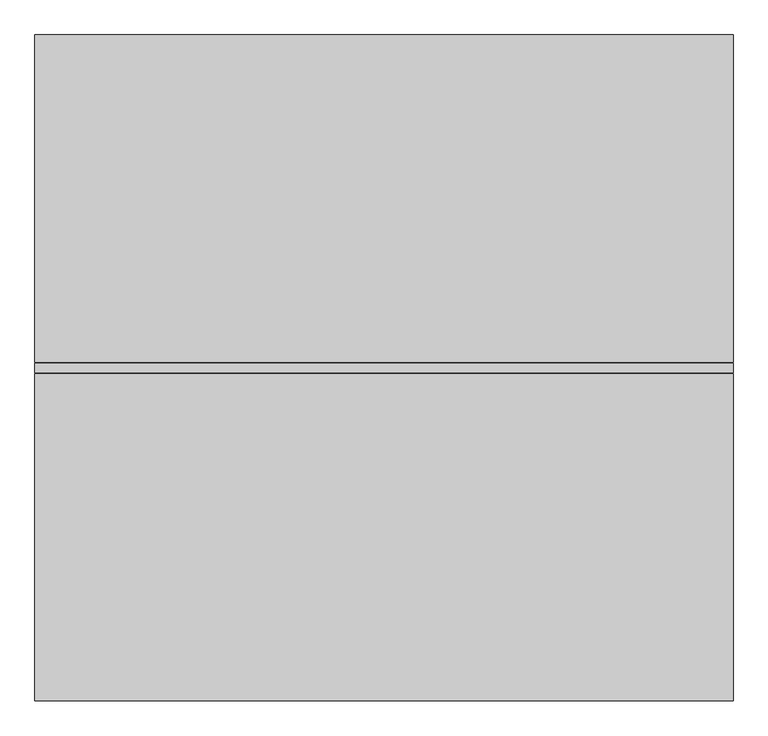
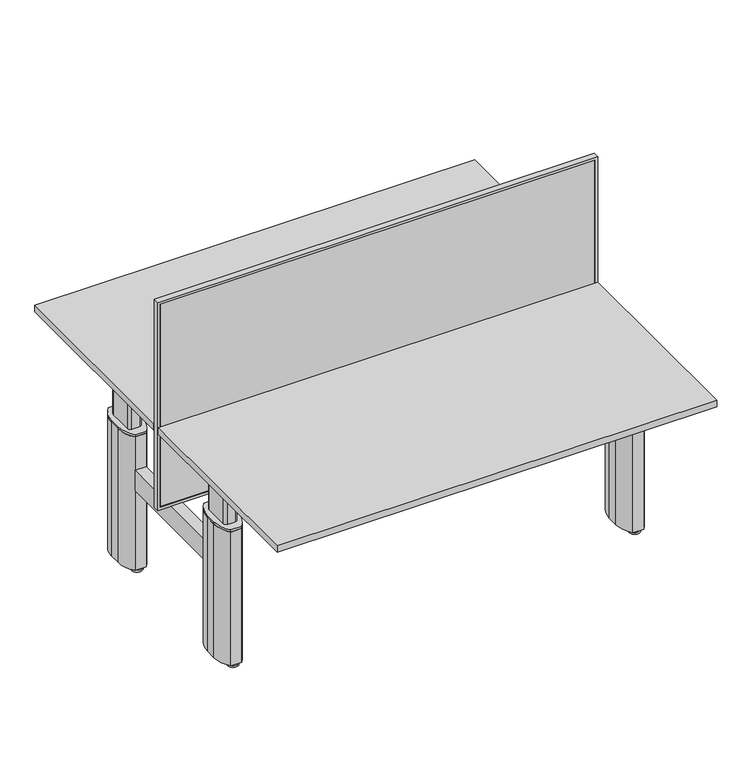
"""IFC4 building model written with IfcOpenShell, lengths in millimetres: furniture geometry."""

from ifc_helpers import new_model, si_unit, point, frame, frame_2d, origin, origin_with_axes, place, context, project, spatial, polyline, circle_curve, trimmed, segment, composite_curve, outline, extrude, source, transform, mapped, element, save


def furniture_6f21ac25(model_context):
    return source(origin(), model_context, "Body", "SweptSolid", [
        extrude(outline(polyline([(-10.0, 8.0), (-10.0, -8.0), (-1590.0, -8.0), (-1590.0, 8.0), (-10.0, 8.0)])), frame((0.0, 0.0, 410.0), z_axis=(0.0, 0.0, 1.0), x_axis=(1.0, 0.0, 0.0)), (0.0, 0.0, 1.0), 780.0),
        extrude(outline(polyline([(1200.0, 0.0), (1200.0, -1600.0), (400.0, -1600.0), (400.0, 0.0), (1200.0, 0.0)]), holes=[polyline([(1190.0, -10.0), (410.0, -10.0), (410.0, -1590.0), (1190.0, -1590.0), (1190.0, -10.0)])]), frame((0.0, -11.0, 0.0), z_axis=(0.0, 1.0, 0.0), x_axis=(0.0, 0.0, 1.0)), (0.0, 0.0, 1.0), 22.0),
        extrude(outline(composite_curve([segment(trimmed(circle_curve(frame_2d((-1531.0, -365.0)), 11.0), [point((-1520.0, -365.0))], [point((-1542.0, -365.0))], False, "CARTESIAN"), True, "CONTINUOUS"), segment(trimmed(circle_curve(frame_2d((-1531.0, -365.0)), 11.0), [point((-1542.0, -365.0))], [point((-1520.0, -365.0))], False, "CARTESIAN"), True, "CONTINUOUS")], self_intersect=False)), frame((0.0, 0.0, 7.0), z_axis=(0.0, 0.0, 1.0), x_axis=(1.0, 0.0, 0.0)), (0.0, 0.0, 1.0), 7.0),
        extrude(outline(composite_curve([segment(trimmed(circle_curve(frame_2d((-1531.0, -239.0)), 11.0), [point((-1520.0, -239.0))], [point((-1542.0, -239.0))], False, "CARTESIAN"), True, "CONTINUOUS"), segment(trimmed(circle_curve(frame_2d((-1531.0, -239.0)), 11.0), [point((-1542.0, -239.0))], [point((-1520.0, -239.0))], False, "CARTESIAN"), True, "CONTINUOUS")], self_intersect=False)), frame((0.0, 0.0, 7.0), z_axis=(0.0, 0.0, 1.0), x_axis=(1.0, 0.0, 0.0)), (0.0, 0.0, 1.0), 7.0),
        extrude(outline(composite_curve([segment(trimmed(circle_curve(frame_2d((-69.0, -365.0)), 11.0), [point((-58.0, -365.0))], [point((-80.0, -365.0))], False, "CARTESIAN"), True, "CONTINUOUS"), segment(trimmed(circle_curve(frame_2d((-69.0, -365.0)), 11.0), [point((-80.0, -365.0))], [point((-58.0, -365.0))], False, "CARTESIAN"), True, "CONTINUOUS")], self_intersect=False)), frame((0.0, 0.0, 7.0), z_axis=(0.0, 0.0, 1.0), x_axis=(1.0, 0.0, 0.0)), (0.0, 0.0, 1.0), 7.0),
        extrude(outline(composite_curve([segment(trimmed(circle_curve(frame_2d((-69.0, -239.0)), 11.0), [point((-58.0, -239.0))], [point((-80.0, -239.0))], False, "CARTESIAN"), True, "CONTINUOUS"), segment(trimmed(circle_curve(frame_2d((-69.0, -239.0)), 11.0), [point((-80.0, -239.0))], [point((-58.0, -239.0))], False, "CARTESIAN"), True, "CONTINUOUS")], self_intersect=False)), frame((0.0, 0.0, 7.0), z_axis=(0.0, 0.0, 1.0), x_axis=(1.0, 0.0, 0.0)), (0.0, 0.0, 1.0), 7.0),
        extrude(outline(composite_curve([segment(trimmed(circle_curve(frame_2d((-1531.0, 239.0)), 11.0), [point((-1520.0, 239.0))], [point((-1542.0, 239.0))], False, "CARTESIAN"), True, "CONTINUOUS"), segment(trimmed(circle_curve(frame_2d((-1531.0, 239.0)), 11.0), [point((-1542.0, 239.0))], [point((-1520.0, 239.0))], False, "CARTESIAN"), True, "CONTINUOUS")], self_intersect=False)), frame((0.0, 0.0, 7.0), z_axis=(0.0, 0.0, 1.0), x_axis=(1.0, 0.0, 0.0)), (0.0, 0.0, 1.0), 7.0),
        extrude(outline(composite_curve([segment(trimmed(circle_curve(frame_2d((-1531.0, 365.0)), 11.0), [point((-1520.0, 365.0))], [point((-1542.0, 365.0))], False, "CARTESIAN"), True, "CONTINUOUS"), segment(trimmed(circle_curve(frame_2d((-1531.0, 365.0)), 11.0), [point((-1542.0, 365.0))], [point((-1520.0, 365.0))], False, "CARTESIAN"), True, "CONTINUOUS")], self_intersect=False)), frame((0.0, 0.0, 7.0), z_axis=(0.0, 0.0, 1.0), x_axis=(1.0, 0.0, 0.0)), (0.0, 0.0, 1.0), 7.0),
        extrude(outline(composite_curve([segment(trimmed(circle_curve(frame_2d((-69.0, 239.0)), 11.0), [point((-58.0, 239.0))], [point((-80.0, 239.0))], False, "CARTESIAN"), True, "CONTINUOUS"), segment(trimmed(circle_curve(frame_2d((-69.0, 239.0)), 11.0), [point((-80.0, 239.0))], [point((-58.0, 239.0))], False, "CARTESIAN"), True, "CONTINUOUS")], self_intersect=False)), frame((0.0, 0.0, 7.0), z_axis=(0.0, 0.0, 1.0), x_axis=(1.0, 0.0, 0.0)), (0.0, 0.0, 1.0), 7.0),
        extrude(outline(composite_curve([segment(trimmed(circle_curve(frame_2d((-69.0, 365.0)), 11.0), [point((-58.0, 365.0))], [point((-80.0, 365.0))], False, "CARTESIAN"), True, "CONTINUOUS"), segment(trimmed(circle_curve(frame_2d((-69.0, 365.0)), 11.0), [point((-80.0, 365.0))], [point((-58.0, 365.0))], False, "CARTESIAN"), True, "CONTINUOUS")], self_intersect=False)), frame((0.0, 0.0, 7.0), z_axis=(0.0, 0.0, 1.0), x_axis=(1.0, 0.0, 0.0)), (0.0, 0.0, 1.0), 7.0),
        extrude(outline(composite_curve([segment(trimmed(circle_curve(frame_2d((-1531.0, -365.0)), 19.0), [point((-1550.0, -365.0))], [point((-1512.0, -365.0))], False, "CARTESIAN"), True, "CONTINUOUS"), segment(trimmed(circle_curve(frame_2d((-1531.0, -365.0)), 19.0), [point((-1512.0, -365.0))], [point((-1550.0, -365.0))], False, "CARTESIAN"), True, "CONTINUOUS")], self_intersect=False)), origin_with_axes(), (0.0, 0.0, 1.0), 7.0),
        extrude(outline(composite_curve([segment(trimmed(circle_curve(frame_2d((-1531.0, -239.0)), 19.0), [point((-1550.0, -239.0))], [point((-1512.0, -239.0))], False, "CARTESIAN"), True, "CONTINUOUS"), segment(trimmed(circle_curve(frame_2d((-1531.0, -239.0)), 19.0), [point((-1512.0, -239.0))], [point((-1550.0, -239.0))], False, "CARTESIAN"), True, "CONTINUOUS")], self_intersect=False)), origin_with_axes(), (0.0, 0.0, 1.0), 7.0),
        extrude(outline(composite_curve([segment(trimmed(circle_curve(frame_2d((-1531.0, 239.0)), 19.0), [point((-1550.0, 239.0))], [point((-1512.0, 239.0))], False, "CARTESIAN"), True, "CONTINUOUS"), segment(trimmed(circle_curve(frame_2d((-1531.0, 239.0)), 19.0), [point((-1512.0, 239.0))], [point((-1550.0, 239.0))], False, "CARTESIAN"), True, "CONTINUOUS")], self_intersect=False)), origin_with_axes(), (0.0, 0.0, 1.0), 7.0),
        extrude(outline(composite_curve([segment(trimmed(circle_curve(frame_2d((-1531.0, 365.0)), 19.0), [point((-1550.0, 365.0))], [point((-1512.0, 365.0))], False, "CARTESIAN"), True, "CONTINUOUS"), segment(trimmed(circle_curve(frame_2d((-1531.0, 365.0)), 19.0), [point((-1512.0, 365.0))], [point((-1550.0, 365.0))], False, "CARTESIAN"), True, "CONTINUOUS")], self_intersect=False)), origin_with_axes(), (0.0, 0.0, 1.0), 7.0),
        extrude(outline(composite_curve([segment(trimmed(circle_curve(frame_2d((-69.0, 365.0)), 20.0), [point((-89.0, 365.0))], [point((-49.0, 365.0))], False, "CARTESIAN"), True, "CONTINUOUS"), segment(trimmed(circle_curve(frame_2d((-69.0, 365.0)), 20.0), [point((-49.0, 365.0))], [point((-89.0, 365.0))], False, "CARTESIAN"), True, "CONTINUOUS")], self_intersect=False)), origin_with_axes(), (0.0, 0.0, 1.0), 7.0),
        extrude(outline(composite_curve([segment(trimmed(circle_curve(frame_2d((-69.0, 239.0)), 20.0), [point((-89.0, 239.0))], [point((-49.0, 239.0))], False, "CARTESIAN"), True, "CONTINUOUS"), segment(trimmed(circle_curve(frame_2d((-69.0, 239.0)), 20.0), [point((-49.0, 239.0))], [point((-89.0, 239.0))], False, "CARTESIAN"), True, "CONTINUOUS")], self_intersect=False)), origin_with_axes(), (0.0, 0.0, 1.0), 7.0),
        extrude(outline(composite_curve([segment(trimmed(circle_curve(frame_2d((-69.0, -239.0)), 19.0), [point((-88.0, -239.0))], [point((-50.0, -239.0))], False, "CARTESIAN"), True, "CONTINUOUS"), segment(trimmed(circle_curve(frame_2d((-69.0, -239.0)), 19.0), [point((-50.0, -239.0))], [point((-88.0, -239.0))], False, "CARTESIAN"), True, "CONTINUOUS")], self_intersect=False)), origin_with_axes(), (0.0, 0.0, 1.0), 7.0),
        extrude(outline(composite_curve([segment(trimmed(circle_curve(frame_2d((-69.0, -365.0)), 19.0), [point((-88.0, -365.0))], [point((-50.0, -365.0))], False, "CARTESIAN"), True, "CONTINUOUS"), segment(trimmed(circle_curve(frame_2d((-69.0, -365.0)), 19.0), [point((-50.0, -365.0))], [point((-88.0, -365.0))], False, "CARTESIAN"), True, "CONTINUOUS")], self_intersect=False)), origin_with_axes(), (0.0, 0.0, 1.0), 7.0),
        extrude(outline(polyline([(-1511.0, -217.0), (-1551.0, -217.0), (-1551.0, 217.0), (-1511.0, 217.0), (-1511.0, -217.0)])), frame((0.0, 0.0, 320.0), z_axis=(0.0, 0.0, 1.0), x_axis=(1.0, 0.0, 0.0)), (0.0, 0.0, 1.0), 80.0),
        extrude(outline(polyline([(-89.0, -217.0), (-89.0, 217.0), (-49.0, 217.0), (-49.0, -217.0), (-89.0, -217.0)])), frame((0.0, 0.0, 320.0), z_axis=(0.0, 0.0, 1.0), x_axis=(1.0, 0.0, 0.0)), (0.0, 0.0, 1.0), 80.0),
        extrude(outline(composite_curve([segment(polyline([(-1511.0, -387.0), (-1551.0, -387.0)]), True, "CONTINUOUS"), segment(trimmed(circle_curve(frame_2d((-1474.9791667, -322.0)), 100.0208333), [point((-1551.0, -387.0))], [point((-1575.0, -322.0))], False, "CARTESIAN"), True, "CONTINUOUS"), segment(polyline([(-1575.0, -322.0), (-1575.0, -282.0)]), True, "CONTINUOUS"), segment(trimmed(circle_curve(frame_2d((-1474.9791667, -282.0)), 100.0208333), [point((-1575.0, -282.0))], [point((-1551.0, -217.0))], False, "CARTESIAN"), True, "CONTINUOUS"), segment(polyline([(-1551.0, -217.0), (-1511.0, -217.0)]), True, "CONTINUOUS"), segment(trimmed(circle_curve(frame_2d((-1587.0208333, -282.0)), 100.0208333), [point((-1511.0, -217.0))], [point((-1487.0, -282.0))], False, "CARTESIAN"), True, "CONTINUOUS"), segment(polyline([(-1487.0, -282.0), (-1487.0, -322.0)]), True, "CONTINUOUS"), segment(trimmed(circle_curve(frame_2d((-1587.0208333, -322.0)), 100.0208333), [point((-1487.0, -322.0))], [point((-1511.0, -387.0))], False, "CARTESIAN"), True, "CONTINUOUS")], self_intersect=False)), frame((0.0, 0.0, 14.0), z_axis=(0.0, 0.0, 1.0), x_axis=(1.0, 0.0, 0.0)), (0.0, 0.0, 1.0), 514.0),
        extrude(outline(composite_curve([segment(polyline([(-49.0, -387.0), (-89.0, -387.0)]), True, "CONTINUOUS"), segment(trimmed(circle_curve(frame_2d((-12.9791667, -322.0)), 100.0208333), [point((-89.0, -387.0))], [point((-113.0, -322.0))], False, "CARTESIAN"), True, "CONTINUOUS"), segment(polyline([(-113.0, -322.0), (-113.0, -282.0)]), True, "CONTINUOUS"), segment(trimmed(circle_curve(frame_2d((-12.9791667, -282.0)), 100.0208333), [point((-113.0, -282.0))], [point((-89.0, -217.0))], False, "CARTESIAN"), True, "CONTINUOUS"), segment(polyline([(-89.0, -217.0), (-49.0, -217.0)]), True, "CONTINUOUS"), segment(trimmed(circle_curve(frame_2d((-125.0208333, -282.0)), 100.0208333), [point((-49.0, -217.0))], [point((-25.0, -282.0))], False, "CARTESIAN"), True, "CONTINUOUS"), segment(polyline([(-25.0, -282.0), (-25.0, -322.0)]), True, "CONTINUOUS"), segment(trimmed(circle_curve(frame_2d((-125.0208333, -322.0)), 100.0208333), [point((-25.0, -322.0))], [point((-49.0, -387.0))], False, "CARTESIAN"), True, "CONTINUOUS")], self_intersect=False)), frame((0.0, 0.0, 14.0), z_axis=(0.0, 0.0, 1.0), x_axis=(1.0, 0.0, 0.0)), (0.0, 0.0, 1.0), 514.0),
        extrude(outline(composite_curve([segment(polyline([(-49.0, 217.0), (-89.0, 217.0)]), True, "CONTINUOUS"), segment(trimmed(circle_curve(frame_2d((-12.9791667, 282.0)), 100.0208333), [point((-89.0, 217.0))], [point((-113.0, 282.0))], False, "CARTESIAN"), True, "CONTINUOUS"), segment(polyline([(-113.0, 282.0), (-113.0, 322.0)]), True, "CONTINUOUS"), segment(trimmed(circle_curve(frame_2d((-12.9791667, 322.0)), 100.0208333), [point((-113.0, 322.0))], [point((-89.0, 387.0))], False, "CARTESIAN"), True, "CONTINUOUS"), segment(polyline([(-89.0, 387.0), (-49.0, 387.0)]), True, "CONTINUOUS"), segment(trimmed(circle_curve(frame_2d((-125.0208333, 322.0)), 100.0208333), [point((-49.0, 387.0))], [point((-25.0, 322.0))], False, "CARTESIAN"), True, "CONTINUOUS"), segment(polyline([(-25.0, 322.0), (-25.0, 282.0)]), True, "CONTINUOUS"), segment(trimmed(circle_curve(frame_2d((-125.0208333, 282.0)), 100.0208333), [point((-25.0, 282.0))], [point((-49.0, 217.0))], False, "CARTESIAN"), True, "CONTINUOUS")], self_intersect=False)), frame((0.0, 0.0, 14.0), z_axis=(0.0, 0.0, 1.0), x_axis=(1.0, 0.0, 0.0)), (0.0, 0.0, 1.0), 514.0),
        extrude(outline(composite_curve([segment(polyline([(-1511.0, 217.0), (-1551.0, 217.0)]), True, "CONTINUOUS"), segment(trimmed(circle_curve(frame_2d((-1474.9791667, 282.0)), 100.0208333), [point((-1551.0, 217.0))], [point((-1575.0, 282.0))], False, "CARTESIAN"), True, "CONTINUOUS"), segment(polyline([(-1575.0, 282.0), (-1575.0, 322.0)]), True, "CONTINUOUS"), segment(trimmed(circle_curve(frame_2d((-1474.9791667, 322.0)), 100.0208333), [point((-1575.0, 322.0))], [point((-1551.0, 387.0))], False, "CARTESIAN"), True, "CONTINUOUS"), segment(polyline([(-1551.0, 387.0), (-1511.0, 387.0)]), True, "CONTINUOUS"), segment(trimmed(circle_curve(frame_2d((-1587.0208333, 322.0)), 100.0208333), [point((-1511.0, 387.0))], [point((-1487.0, 322.0))], False, "CARTESIAN"), True, "CONTINUOUS"), segment(polyline([(-1487.0, 322.0), (-1487.0, 282.0)]), True, "CONTINUOUS"), segment(trimmed(circle_curve(frame_2d((-1587.0208333, 282.0)), 100.0208333), [point((-1487.0, 282.0))], [point((-1511.0, 217.0))], False, "CARTESIAN"), True, "CONTINUOUS")], self_intersect=False)), frame((0.0, 0.0, 14.0), z_axis=(0.0, 0.0, 1.0), x_axis=(1.0, 0.0, 0.0)), (0.0, 0.0, 1.0), 514.0),
        extrude(outline(composite_curve([segment(polyline([(-1511.0, -387.0), (-1551.0, -387.0)]), True, "CONTINUOUS"), segment(trimmed(circle_curve(frame_2d((-1474.9791667, -322.0)), 100.0208333), [point((-1551.0, -387.0))], [point((-1575.0, -322.0))], False, "CARTESIAN"), True, "CONTINUOUS"), segment(polyline([(-1575.0, -322.0), (-1575.0, -282.0)]), True, "CONTINUOUS"), segment(trimmed(circle_curve(frame_2d((-1474.9791667, -282.0)), 100.0208333), [point((-1575.0, -282.0))], [point((-1551.0, -217.0))], False, "CARTESIAN"), True, "CONTINUOUS"), segment(polyline([(-1551.0, -217.0), (-1511.0, -217.0)]), True, "CONTINUOUS"), segment(trimmed(circle_curve(frame_2d((-1587.0208333, -282.0)), 100.0208333), [point((-1511.0, -217.0))], [point((-1487.0, -282.0))], False, "CARTESIAN"), True, "CONTINUOUS"), segment(polyline([(-1487.0, -282.0), (-1487.0, -322.0)]), True, "CONTINUOUS"), segment(trimmed(circle_curve(frame_2d((-1587.0208333, -322.0)), 100.0208333), [point((-1487.0, -322.0))], [point((-1511.0, -387.0))], False, "CARTESIAN"), True, "CONTINUOUS")], self_intersect=False)), frame((0.0, 0.0, 528.0), z_axis=(0.0, 0.0, 1.0), x_axis=(1.0, 0.0, 0.0)), (0.0, 0.0, 1.0), 8.5),
        extrude(outline(composite_curve([segment(polyline([(-49.0, -387.0), (-89.0, -387.0)]), True, "CONTINUOUS"), segment(trimmed(circle_curve(frame_2d((-12.9791667, -322.0)), 100.0208333), [point((-89.0, -387.0))], [point((-113.0, -322.0))], False, "CARTESIAN"), True, "CONTINUOUS"), segment(polyline([(-113.0, -322.0), (-113.0, -282.0)]), True, "CONTINUOUS"), segment(trimmed(circle_curve(frame_2d((-12.9791667, -282.0)), 100.0208333), [point((-113.0, -282.0))], [point((-89.0, -217.0))], False, "CARTESIAN"), True, "CONTINUOUS"), segment(polyline([(-89.0, -217.0), (-49.0, -217.0)]), True, "CONTINUOUS"), segment(trimmed(circle_curve(frame_2d((-125.0208333, -282.0)), 100.0208333), [point((-49.0, -217.0))], [point((-25.0, -282.0))], False, "CARTESIAN"), True, "CONTINUOUS"), segment(polyline([(-25.0, -282.0), (-25.0, -322.0)]), True, "CONTINUOUS"), segment(trimmed(circle_curve(frame_2d((-125.0208333, -322.0)), 100.0208333), [point((-25.0, -322.0))], [point((-49.0, -387.0))], False, "CARTESIAN"), True, "CONTINUOUS")], self_intersect=False)), frame((0.0, 0.0, 528.0), z_axis=(0.0, 0.0, 1.0), x_axis=(1.0, 0.0, 0.0)), (0.0, 0.0, 1.0), 8.5),
        extrude(outline(composite_curve([segment(polyline([(-1511.0, 217.0), (-1551.0, 217.0)]), True, "CONTINUOUS"), segment(trimmed(circle_curve(frame_2d((-1474.9791667, 282.0)), 100.0208333), [point((-1551.0, 217.0))], [point((-1575.0, 282.0))], False, "CARTESIAN"), True, "CONTINUOUS"), segment(polyline([(-1575.0, 282.0), (-1575.0, 322.0)]), True, "CONTINUOUS"), segment(trimmed(circle_curve(frame_2d((-1474.9791667, 322.0)), 100.0208333), [point((-1575.0, 322.0))], [point((-1551.0, 387.0))], False, "CARTESIAN"), True, "CONTINUOUS"), segment(polyline([(-1551.0, 387.0), (-1511.0, 387.0)]), True, "CONTINUOUS"), segment(trimmed(circle_curve(frame_2d((-1587.0208333, 322.0)), 100.0208333), [point((-1511.0, 387.0))], [point((-1487.0, 322.0))], False, "CARTESIAN"), True, "CONTINUOUS"), segment(polyline([(-1487.0, 322.0), (-1487.0, 282.0)]), True, "CONTINUOUS"), segment(trimmed(circle_curve(frame_2d((-1587.0208333, 282.0)), 100.0208333), [point((-1487.0, 282.0))], [point((-1511.0, 217.0))], False, "CARTESIAN"), True, "CONTINUOUS")], self_intersect=False)), frame((0.0, 0.0, 528.0), z_axis=(0.0, 0.0, 1.0), x_axis=(1.0, 0.0, 0.0)), (0.0, 0.0, 1.0), 8.5),
        extrude(outline(composite_curve([segment(polyline([(-49.0, 217.0), (-89.0, 217.0)]), True, "CONTINUOUS"), segment(trimmed(circle_curve(frame_2d((-12.9791667, 282.0)), 100.0208333), [point((-89.0, 217.0))], [point((-113.0, 282.0))], False, "CARTESIAN"), True, "CONTINUOUS"), segment(polyline([(-113.0, 282.0), (-113.0, 322.0)]), True, "CONTINUOUS"), segment(trimmed(circle_curve(frame_2d((-12.9791667, 322.0)), 100.0208333), [point((-113.0, 322.0))], [point((-89.0, 387.0))], False, "CARTESIAN"), True, "CONTINUOUS"), segment(polyline([(-89.0, 387.0), (-49.0, 387.0)]), True, "CONTINUOUS"), segment(trimmed(circle_curve(frame_2d((-125.0208333, 322.0)), 100.0208333), [point((-49.0, 387.0))], [point((-25.0, 322.0))], False, "CARTESIAN"), True, "CONTINUOUS"), segment(polyline([(-25.0, 322.0), (-25.0, 282.0)]), True, "CONTINUOUS"), segment(trimmed(circle_curve(frame_2d((-125.0208333, 282.0)), 100.0208333), [point((-25.0, 282.0))], [point((-49.0, 217.0))], False, "CARTESIAN"), True, "CONTINUOUS")], self_intersect=False)), frame((0.0, 0.0, 528.0), z_axis=(0.0, 0.0, 1.0), x_axis=(1.0, 0.0, 0.0)), (0.0, 0.0, 1.0), 8.5),
        extrude(outline(composite_curve([segment(trimmed(circle_curve(frame_2d((-56.0, -259.5)), 12.0), [point((-56.0, -247.5))], [point((-44.0, -259.5))], False, "CARTESIAN"), True, "CONTINUOUS"), segment(polyline([(-44.0, -259.5), (-44.0, -344.5)]), True, "CONTINUOUS"), segment(trimmed(circle_curve(frame_2d((-56.0, -344.5)), 12.0), [point((-44.0, -344.5))], [point((-56.0, -356.5))], False, "CARTESIAN"), True, "CONTINUOUS"), segment(polyline([(-56.0, -356.5), (-82.0, -356.5)]), True, "CONTINUOUS"), segment(trimmed(circle_curve(frame_2d((-82.0, -344.5)), 12.0), [point((-82.0, -356.5))], [point((-94.0, -344.5))], False, "CARTESIAN"), True, "CONTINUOUS"), segment(polyline([(-94.0, -344.5), (-94.0, -259.5)]), True, "CONTINUOUS"), segment(trimmed(circle_curve(frame_2d((-82.0, -259.5)), 12.0), [point((-94.0, -259.5))], [point((-82.0, -247.5))], False, "CARTESIAN"), True, "CONTINUOUS"), segment(polyline([(-82.0, -247.5), (-56.0, -247.5)]), True, "CONTINUOUS")], self_intersect=False)), frame((0.0, 0.0, 536.5), z_axis=(0.0, 0.0, 1.0), x_axis=(1.0, 0.0, 0.0)), (0.0, 0.0, 1.0), 155.5),
        extrude(outline(composite_curve([segment(trimmed(circle_curve(frame_2d((-1545.7644632, 257.7355368)), 10.2355368), [point((-1545.7644632, 247.5))], [point((-1556.0, 257.7355368))], False, "CARTESIAN"), True, "CONTINUOUS"), segment(polyline([(-1556.0, 257.7355368), (-1556.0, 344.5)]), True, "CONTINUOUS"), segment(trimmed(circle_curve(frame_2d((-1544.0, 344.5)), 12.0), [point((-1556.0, 344.5))], [point((-1544.0, 356.5))], False, "CARTESIAN"), True, "CONTINUOUS"), segment(polyline([(-1544.0, 356.5), (-1518.0, 356.5)]), True, "CONTINUOUS"), segment(trimmed(circle_curve(frame_2d((-1518.0, 344.5)), 12.0), [point((-1518.0, 356.5))], [point((-1506.0, 344.5))], False, "CARTESIAN"), True, "CONTINUOUS"), segment(polyline([(-1506.0, 344.5), (-1506.0, 257.7355368)]), True, "CONTINUOUS"), segment(trimmed(circle_curve(frame_2d((-1516.2355368, 257.7355368)), 10.2355368), [point((-1506.0, 257.7355368))], [point((-1516.2355368, 247.5))], False, "CARTESIAN"), True, "CONTINUOUS"), segment(polyline([(-1516.2355368, 247.5), (-1545.7644632, 247.5)]), True, "CONTINUOUS")], self_intersect=False)), frame((0.0, 0.0, 536.5), z_axis=(0.0, 0.0, 1.0), x_axis=(1.0, 0.0, 0.0)), (0.0, 0.0, 1.0), 155.5),
        extrude(outline(composite_curve([segment(polyline([(-1518.0, -356.5), (-1544.0, -356.5)]), True, "CONTINUOUS"), segment(trimmed(circle_curve(frame_2d((-1544.0, -344.5)), 12.0), [point((-1544.0, -356.5))], [point((-1556.0, -344.5))], False, "CARTESIAN"), True, "CONTINUOUS"), segment(polyline([(-1556.0, -344.5), (-1556.0, -259.5)]), True, "CONTINUOUS"), segment(trimmed(circle_curve(frame_2d((-1544.0, -259.5)), 12.0), [point((-1556.0, -259.5))], [point((-1544.0, -247.5))], False, "CARTESIAN"), True, "CONTINUOUS"), segment(polyline([(-1544.0, -247.5), (-1518.0, -247.5)]), True, "CONTINUOUS"), segment(trimmed(circle_curve(frame_2d((-1518.0, -259.5)), 12.0), [point((-1518.0, -247.5))], [point((-1506.0, -259.5))], False, "CARTESIAN"), True, "CONTINUOUS"), segment(polyline([(-1506.0, -259.5), (-1506.0, -344.5)]), True, "CONTINUOUS"), segment(trimmed(circle_curve(frame_2d((-1518.0, -344.5)), 12.0), [point((-1506.0, -344.5))], [point((-1518.0, -356.5))], False, "CARTESIAN"), True, "CONTINUOUS")], self_intersect=False)), frame((0.0, 0.0, 536.5), z_axis=(0.0, 0.0, 1.0), x_axis=(1.0, 0.0, 0.0)), (0.0, 0.0, 1.0), 155.5),
        extrude(outline(composite_curve([segment(polyline([(-56.0, 247.5), (-82.0, 247.5)]), True, "CONTINUOUS"), segment(trimmed(circle_curve(frame_2d((-82.0, 259.5)), 12.0), [point((-82.0, 247.5))], [point((-94.0, 259.5))], False, "CARTESIAN"), True, "CONTINUOUS"), segment(polyline([(-94.0, 259.5), (-94.0, 344.5)]), True, "CONTINUOUS"), segment(trimmed(circle_curve(frame_2d((-82.0, 344.5)), 12.0), [point((-94.0, 344.5))], [point((-82.0, 356.5))], False, "CARTESIAN"), True, "CONTINUOUS"), segment(polyline([(-82.0, 356.5), (-56.0, 356.5)]), True, "CONTINUOUS"), segment(trimmed(circle_curve(frame_2d((-56.0, 344.5)), 12.0), [point((-56.0, 356.5))], [point((-44.0, 344.5))], False, "CARTESIAN"), True, "CONTINUOUS"), segment(polyline([(-44.0, 344.5), (-44.0, 259.5)]), True, "CONTINUOUS"), segment(trimmed(circle_curve(frame_2d((-56.0, 259.5)), 12.0), [point((-44.0, 259.5))], [point((-56.0, 247.5))], False, "CARTESIAN"), True, "CONTINUOUS")], self_intersect=False)), frame((0.0, 0.0, 536.5), z_axis=(0.0, 0.0, 1.0), x_axis=(1.0, 0.0, 0.0)), (0.0, 0.0, 1.0), 155.5),
        extrude(outline(polyline([(-118.0, -539.0), (-1482.0, -539.0), (-1482.0, -501.0), (-118.0, -501.0), (-118.0, -539.0)])), frame((0.0, 0.0, 651.0), z_axis=(0.0, 0.0, 1.0), x_axis=(1.0, 0.0, 0.0)), (0.0, 0.0, 1.0), 44.0),
        extrude(outline(polyline([(-118.0, -283.0), (-1482.0, -283.0), (-1482.0, -245.0), (-118.0, -245.0), (-118.0, -283.0)])), frame((0.0, 0.0, 651.0), z_axis=(0.0, 0.0, 1.0), x_axis=(1.0, 0.0, 0.0)), (0.0, 0.0, 1.0), 44.0),
        extrude(outline(polyline([(-118.0, 539.0), (-118.0, 501.0), (-1482.0, 501.0), (-1482.0, 539.0), (-118.0, 539.0)])), frame((0.0, 0.0, 651.0), z_axis=(0.0, 0.0, 1.0), x_axis=(1.0, 0.0, 0.0)), (0.0, 0.0, 1.0), 44.0),
        extrude(outline(polyline([(-118.0, 283.0), (-118.0, 245.0), (-1482.0, 245.0), (-1482.0, 283.0), (-118.0, 283.0)])), frame((0.0, 0.0, 651.0), z_axis=(0.0, 0.0, 1.0), x_axis=(1.0, 0.0, 0.0)), (0.0, 0.0, 1.0), 44.0),
        extrude(outline(polyline([(695.0, -1580.0), (668.0, -1580.0), (668.0, -1577.0), (692.0, -1577.0), (692.0, -1485.0), (651.0, -1485.0), (651.0, -1482.0), (695.0, -1482.0), (695.0, -1580.0)])), frame((0.0, -638.0, 0.0), z_axis=(0.0, 1.0, 0.0), x_axis=(0.0, 0.0, 1.0)), (0.0, 0.0, 1.0), 466.0),
        extrude(outline(polyline([(695.0, -20.0), (695.0, -118.0), (651.0, -118.0), (651.0, -115.0), (692.0, -115.0), (692.0, -23.0), (668.0, -23.0), (668.0, -20.0), (695.0, -20.0)])), frame((0.0, -638.0, 0.0), z_axis=(0.0, 1.0, 0.0), x_axis=(0.0, 0.0, 1.0)), (0.0, 0.0, 1.0), 466.0),
        extrude(outline(polyline([(695.0, -1580.0), (668.0, -1580.0), (668.0, -1577.0), (692.0, -1577.0), (692.0, -1485.0), (651.0, -1485.0), (651.0, -1482.0), (695.0, -1482.0), (695.0, -1580.0)])), frame((0.0, 172.0, 0.0), z_axis=(0.0, 1.0, 0.0), x_axis=(0.0, 0.0, 1.0)), (0.0, 0.0, 1.0), 466.0),
        extrude(outline(polyline([(695.0, -20.0), (695.0, -118.0), (651.0, -118.0), (651.0, -115.0), (692.0, -115.0), (692.0, -23.0), (668.0, -23.0), (668.0, -20.0), (695.0, -20.0)])), frame((0.0, 172.0, 0.0), z_axis=(0.0, 1.0, 0.0), x_axis=(0.0, 0.0, 1.0)), (0.0, 0.0, 1.0), 466.0),
        extrude(outline(polyline([(0.0, -763.0), (-1600.0, -763.0), (-1600.0, -13.0), (0.0, -13.0), (0.0, -763.0)])), frame((0.0, 0.0, 695.0), z_axis=(0.0, 0.0, 1.0), x_axis=(1.0, 0.0, 0.0)), (0.0, 0.0, 1.0), 25.0),
        extrude(outline(polyline([(0.0, 13.0), (-1600.0, 13.0), (-1600.0, 763.0), (0.0, 763.0), (0.0, 13.0)])), frame((0.0, 0.0, 695.0), z_axis=(0.0, 0.0, 1.0), x_axis=(1.0, 0.0, 0.0)), (0.0, 0.0, 1.0), 25.0),
    ])


if __name__ == "__main__":
    model = new_model("IFC4")
    model_context = context("Model", 3, world=origin())
    ifc_project = project(units=[si_unit("LENGTHUNIT", "METRE", prefix="MILLI")], contexts=[model_context])
    site = spatial("IfcSite", under=ifc_project)
    building = spatial("IfcBuilding", under=site)
    placement = place(None, origin())
    furniture_shape = furniture_6f21ac25(model_context)
    element("IfcFurniture", 1, at=placement, inside=building, context=model_context, shape_type="MappedRepresentation", body=[
        mapped(furniture_shape, transform((0.0, 0.0, 0.0), x_axis=(1.0, 0.0, 0.0), y_axis=(0.0, 1.0, 0.0), z_axis=(0.0, 0.0, 1.0))),
    ])
    save(model, "model.ifc")
